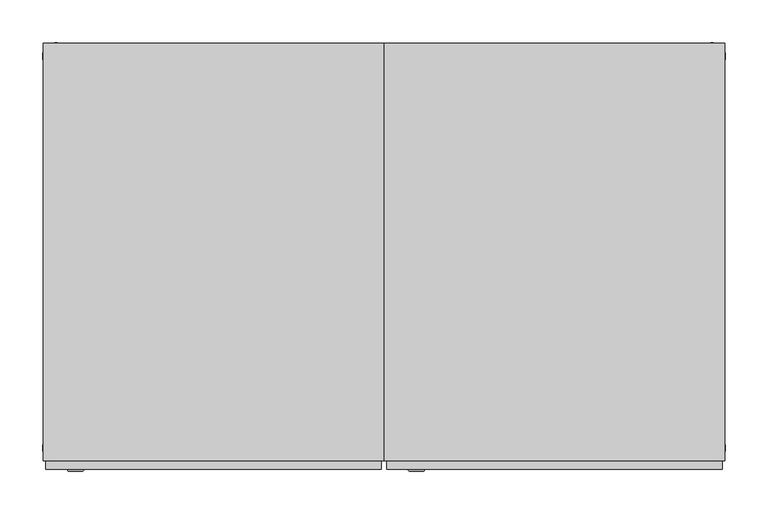
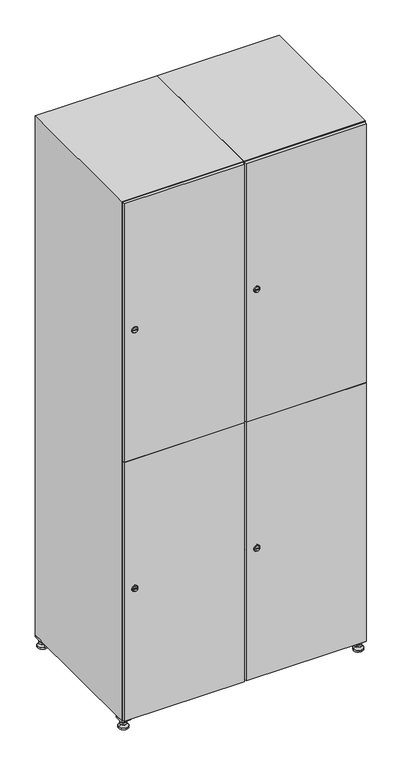
"""IFC4 building model written with IfcOpenShell, lengths in millimetres: furniture geometry."""

from ifc_helpers import new_model, si_unit, point, frame, frame_2d, origin, origin_with_axes, place, context, project, spatial, polyline, circle_curve, trimmed, segment, composite_curve, outline, extrude, faceted_brep, source, transform, mapped, element, save
from ifc_brep_helpers import plane_surface, revolved_surface, advanced_brep


def furniture_eebddeb1(model_context):
    return source(origin(), model_context, "Body", "SolidModel", [
        extrude(outline(polyline([(600.0, 245.0), (600.0, 215.0), (570.0, 215.0), (570.0, 245.0), (600.0, 245.0)]), holes=[polyline([(598.0, 243.0), (572.0, 243.0), (572.0, 217.0), (598.0, 217.0), (598.0, 243.0)])]), frame((0.0, 0.0, 28.5), z_axis=(0.0, 0.0, 1.0), x_axis=(1.0, 0.0, 0.0)), (0.0, 0.0, 1.0), 6.5),
        extrude(outline(polyline([(570.0, -245.0), (570.0, -215.0), (600.0, -215.0), (600.0, -245.0), (570.0, -245.0)]), holes=[polyline([(572.0, -243.0), (598.0, -243.0), (598.0, -217.0), (572.0, -217.0), (572.0, -243.0)])]), frame((0.0, 0.0, 28.5), z_axis=(0.0, 0.0, 1.0), x_axis=(1.0, 0.0, 0.0)), (0.0, 0.0, 1.0), 6.5),
        extrude(outline(polyline([(-170.0, 245.0), (-170.0, 215.0), (-200.0, 215.0), (-200.0, 245.0), (-170.0, 245.0)]), holes=[polyline([(-172.0, 243.0), (-198.0, 243.0), (-198.0, 217.0), (-172.0, 217.0), (-172.0, 243.0)])]), frame((0.0, 0.0, 28.5), z_axis=(0.0, 0.0, 1.0), x_axis=(1.0, 0.0, 0.0)), (0.0, 0.0, 1.0), 6.5),
        extrude(outline(polyline([(-170.0, -215.0), (-170.0, -245.0), (-200.0, -245.0), (-200.0, -215.0), (-170.0, -215.0)]), holes=[polyline([(-198.0, -243.0), (-172.0, -243.0), (-172.0, -217.0), (-198.0, -217.0), (-198.0, -243.0)])]), frame((0.0, 0.0, 28.5), z_axis=(0.0, 0.0, 1.0), x_axis=(1.0, 0.0, 0.0)), (0.0, 0.0, 1.0), 6.5),
        extrude(outline(composite_curve([segment(trimmed(circle_curve(frame_2d((-185.0, 230.0)), 5.0), [point((-180.0, 230.0))], [point((-190.0, 230.0))], False, "CARTESIAN"), True, "CONTINUOUS"), segment(trimmed(circle_curve(frame_2d((-185.0, 230.0)), 5.0), [point((-190.0, 230.0))], [point((-180.0, 230.0))], False, "CARTESIAN"), True, "CONTINUOUS")], self_intersect=False)), frame((0.0, 0.0, 19.6), z_axis=(0.0, 0.0, 1.0), x_axis=(1.0, 0.0, 0.0)), (0.0, 0.0, 1.0), 15.4),
        extrude(outline(composite_curve([segment(trimmed(circle_curve(frame_2d((-185.0, -230.0)), 5.0), [point((-180.0, -230.0))], [point((-190.0, -230.0))], False, "CARTESIAN"), True, "CONTINUOUS"), segment(trimmed(circle_curve(frame_2d((-185.0, -230.0)), 5.0), [point((-190.0, -230.0))], [point((-180.0, -230.0))], False, "CARTESIAN"), True, "CONTINUOUS")], self_intersect=False)), frame((0.0, 0.0, 19.6), z_axis=(0.0, 0.0, 1.0), x_axis=(1.0, 0.0, 0.0)), (0.0, 0.0, 1.0), 15.4),
        extrude(outline(composite_curve([segment(trimmed(circle_curve(frame_2d((585.0, 230.0)), 5.0), [point((590.0, 230.0))], [point((580.0, 230.0))], False, "CARTESIAN"), True, "CONTINUOUS"), segment(trimmed(circle_curve(frame_2d((585.0, 230.0)), 5.0), [point((580.0, 230.0))], [point((590.0, 230.0))], False, "CARTESIAN"), True, "CONTINUOUS")], self_intersect=False)), frame((0.0, 0.0, 19.6), z_axis=(0.0, 0.0, 1.0), x_axis=(1.0, 0.0, 0.0)), (0.0, 0.0, 1.0), 15.4),
        extrude(outline(polyline([(573.4529946, 230.0), (579.2264973, 240.0), (590.7735027, 240.0), (596.5470054, 230.0), (590.7735027, 220.0), (579.2264973, 220.0), (573.4529946, 230.0)])), frame((0.0, 0.0, 13.6), z_axis=(0.0, 0.0, 1.0), x_axis=(1.0, 0.0, 0.0)), (0.0, 0.0, 1.0), 6.0),
        extrude(outline(composite_curve([segment(trimmed(circle_curve(frame_2d((585.0, -230.0)), 5.0), [point((590.0, -230.0))], [point((580.0, -230.0))], False, "CARTESIAN"), True, "CONTINUOUS"), segment(trimmed(circle_curve(frame_2d((585.0, -230.0)), 5.0), [point((580.0, -230.0))], [point((590.0, -230.0))], False, "CARTESIAN"), True, "CONTINUOUS")], self_intersect=False)), frame((0.0, 0.0, 19.6), z_axis=(0.0, 0.0, 1.0), x_axis=(1.0, 0.0, 0.0)), (0.0, 0.0, 1.0), 15.4),
        extrude(outline(polyline([(573.4529946, -230.0), (579.2264973, -220.0), (590.7735027, -220.0), (596.5470054, -230.0), (590.7735027, -240.0), (579.2264973, -240.0), (573.4529946, -230.0)])), frame((0.0, 0.0, 13.6), z_axis=(0.0, 0.0, 1.0), x_axis=(1.0, 0.0, 0.0)), (0.0, 0.0, 1.0), 6.0),
        extrude(outline(composite_curve([segment(trimmed(circle_curve(frame_2d((585.0, 230.0)), 5.0), [point((590.0, 230.0))], [point((580.0, 230.0))], False, "CARTESIAN"), True, "CONTINUOUS"), segment(trimmed(circle_curve(frame_2d((585.0, 230.0)), 5.0), [point((580.0, 230.0))], [point((590.0, 230.0))], False, "CARTESIAN"), True, "CONTINUOUS")], self_intersect=False)), frame((0.0, 0.0, 12.1), z_axis=(0.0, 0.0, 1.0), x_axis=(1.0, 0.0, 0.0)), (0.0, 0.0, 1.0), 1.5),
        extrude(outline(composite_curve([segment(trimmed(circle_curve(frame_2d((585.0, -230.0)), 5.0), [point((590.0, -230.0))], [point((580.0, -230.0))], False, "CARTESIAN"), True, "CONTINUOUS"), segment(trimmed(circle_curve(frame_2d((585.0, -230.0)), 5.0), [point((580.0, -230.0))], [point((590.0, -230.0))], False, "CARTESIAN"), True, "CONTINUOUS")], self_intersect=False)), frame((0.0, 0.0, 12.1), z_axis=(0.0, 0.0, 1.0), x_axis=(1.0, 0.0, 0.0)), (0.0, 0.0, 1.0), 1.5),
        extrude(outline(polyline([(-196.5470054, 230.0), (-190.7735027, 240.0), (-179.2264973, 240.0), (-173.4529946, 230.0), (-179.2264973, 220.0), (-190.7735027, 220.0), (-196.5470054, 230.0)])), frame((0.0, 0.0, 13.6), z_axis=(0.0, 0.0, 1.0), x_axis=(1.0, 0.0, 0.0)), (0.0, 0.0, 1.0), 6.0),
        extrude(outline(polyline([(-196.5470054, -230.0), (-190.7735027, -220.0), (-179.2264973, -220.0), (-173.4529946, -230.0), (-179.2264973, -240.0), (-190.7735027, -240.0), (-196.5470054, -230.0)])), frame((0.0, 0.0, 13.6), z_axis=(0.0, 0.0, 1.0), x_axis=(1.0, 0.0, 0.0)), (0.0, 0.0, 1.0), 6.0),
        extrude(outline(composite_curve([segment(trimmed(circle_curve(frame_2d((-185.0, 230.0)), 5.0), [point((-185.0, 235.0))], [point((-185.0, 225.0))], False, "CARTESIAN"), True, "CONTINUOUS"), segment(trimmed(circle_curve(frame_2d((-185.0, 230.0)), 5.0), [point((-185.0, 225.0))], [point((-185.0, 235.0))], False, "CARTESIAN"), True, "CONTINUOUS")], self_intersect=False)), frame((0.0, 0.0, 12.1), z_axis=(0.0, 0.0, 1.0), x_axis=(1.0, 0.0, 0.0)), (0.0, 0.0, 1.0), 1.5),
        extrude(outline(composite_curve([segment(trimmed(circle_curve(frame_2d((-185.0, -230.0)), 5.0), [point((-180.0, -230.0))], [point((-190.0, -230.0))], False, "CARTESIAN"), True, "CONTINUOUS"), segment(trimmed(circle_curve(frame_2d((-185.0, -230.0)), 5.0), [point((-190.0, -230.0))], [point((-180.0, -230.0))], False, "CARTESIAN"), True, "CONTINUOUS")], self_intersect=False)), frame((0.0, 0.0, 12.1), z_axis=(0.0, 0.0, 1.0), x_axis=(1.0, 0.0, 0.0)), (0.0, 0.0, 1.0), 1.5),
        extrude(outline(composite_curve([segment(trimmed(circle_curve(frame_2d((585.0, 230.0)), 15.75), [point((600.75, 230.0))], [point((569.25, 230.0))], False, "CARTESIAN"), True, "CONTINUOUS"), segment(trimmed(circle_curve(frame_2d((585.0, 230.0)), 15.75), [point((569.25, 230.0))], [point((600.75, 230.0))], False, "CARTESIAN"), True, "CONTINUOUS")], self_intersect=False)), origin_with_axes(), (0.0, 0.0, 1.0), 5.1),
        extrude(outline(composite_curve([segment(trimmed(circle_curve(frame_2d((585.0, -230.0)), 15.75), [point((585.0, -214.25))], [point((585.0, -245.75))], False, "CARTESIAN"), True, "CONTINUOUS"), segment(trimmed(circle_curve(frame_2d((585.0, -230.0)), 15.75), [point((585.0, -245.75))], [point((585.0, -214.25))], False, "CARTESIAN"), True, "CONTINUOUS")], self_intersect=False)), origin_with_axes(), (0.0, 0.0, 1.0), 5.1),
        extrude(outline(composite_curve([segment(trimmed(circle_curve(frame_2d((-185.0, -230.0)), 15.75), [point((-169.25, -230.0))], [point((-200.75, -230.0))], False, "CARTESIAN"), True, "CONTINUOUS"), segment(trimmed(circle_curve(frame_2d((-185.0, -230.0)), 15.75), [point((-200.75, -230.0))], [point((-169.25, -230.0))], False, "CARTESIAN"), True, "CONTINUOUS")], self_intersect=False)), origin_with_axes(), (0.0, 0.0, 1.0), 5.1),
        extrude(outline(composite_curve([segment(trimmed(circle_curve(frame_2d((-185.0, 230.0)), 15.75), [point((-169.25, 230.0))], [point((-200.75, 230.0))], False, "CARTESIAN"), True, "CONTINUOUS"), segment(trimmed(circle_curve(frame_2d((-185.0, 230.0)), 15.75), [point((-200.75, 230.0))], [point((-169.25, 230.0))], False, "CARTESIAN"), True, "CONTINUOUS")], self_intersect=False)), origin_with_axes(), (0.0, 0.0, 1.0), 5.1),
        advanced_brep(
        [(-185.0, 239.5, 12.1), (-185.0, 220.5, 12.1), (-185.0, 214.25, 5.1), (-185.0, 245.75, 5.1)],
        [
            (0, 1, circle_curve(frame((-185.0, 230.0, 12.1), z_axis=(0.0, 0.0, -1.0), x_axis=(0.0, 1.0, 0.0)), 9.5)),
            (1, 2),
            (2, 3, circle_curve(frame((-185.0, 230.0, 5.1), z_axis=(0.0, 0.0, 1.0), x_axis=(0.0, 1.0, 0.0)), 15.75)),
            (3, 0),
            (1, 0, circle_curve(frame((-185.0, 230.0, 12.1), z_axis=(0.0, 0.0, -1.0), x_axis=(0.0, -1.0, 0.0)), 9.5)),
            (3, 2, circle_curve(frame((-185.0, 230.0, 5.1), z_axis=(0.0, 0.0, 1.0), x_axis=(0.0, -1.0, 0.0)), 15.75)),
        ],
        [
            revolved_surface(polyline([(-185.0, 220.5, 12.099999999999998), (-185.0, 214.25, 5.099999999999998)]), (-185.0, 230.0, 22.74), (0.0, 0.0, -1.0)),
            revolved_surface(polyline([(-185.0, 239.5, 12.099999999999998), (-185.0, 245.75, 5.099999999999998)]), (-185.0, 230.0, 22.74), (0.0, 0.0, -1.0)),
            plane_surface(frame((-185.0, 230.0, 5.1), z_axis=(0.0, 0.0, -1.0), x_axis=(1.0, 0.0, 0.0))),
            plane_surface(frame((-185.0, 230.0, 12.1), z_axis=(0.0, 0.0, 1.0), x_axis=(1.0, 0.0, 0.0))),
        ],
        [
            (0, [[1, 2, 3, 4]]),
            (1, [[5, -4, 6, -2]]),
            (2, [[-3, -6]]),
            (3, [[-5, -1]]),
        ],
    ),
        advanced_brep(
        [(585.0, 239.5, 12.1), (585.0, 220.5, 12.1), (585.0, 214.25, 5.1), (585.0, 245.75, 5.1)],
        [
            (0, 1, circle_curve(frame((585.0, 230.0, 12.1), z_axis=(0.0, 0.0, -1.0), x_axis=(0.0, 1.0, 0.0)), 9.5)),
            (1, 2),
            (2, 3, circle_curve(frame((585.0, 230.0, 5.1), z_axis=(0.0, 0.0, 1.0), x_axis=(0.0, 1.0, 0.0)), 15.75)),
            (3, 0),
            (1, 0, circle_curve(frame((585.0, 230.0, 12.1), z_axis=(0.0, 0.0, -1.0), x_axis=(0.0, -1.0, 0.0)), 9.5)),
            (3, 2, circle_curve(frame((585.0, 230.0, 5.1), z_axis=(0.0, 0.0, 1.0), x_axis=(0.0, -1.0, 0.0)), 15.75)),
        ],
        [
            revolved_surface(polyline([(585.0, 220.5, 12.099999999999998), (585.0, 214.25, 5.099999999999998)]), (585.0, 230.0, 22.74), (0.0, 0.0, -1.0)),
            revolved_surface(polyline([(585.0, 239.5, 12.099999999999998), (585.0, 245.75, 5.099999999999998)]), (585.0, 230.0, 22.74), (0.0, 0.0, -1.0)),
            plane_surface(frame((585.0, 230.0, 5.1), z_axis=(0.0, 0.0, -1.0), x_axis=(1.0, 0.0, 0.0))),
            plane_surface(frame((585.0, 230.0, 12.1), z_axis=(0.0, 0.0, 1.0), x_axis=(1.0, 0.0, 0.0))),
        ],
        [
            (0, [[1, 2, 3, 4]]),
            (1, [[5, -4, 6, -2]]),
            (2, [[-3, -6]]),
            (3, [[-5, -1]]),
        ],
    ),
        advanced_brep(
        [(600.75, -230.0, 5.1), (569.25, -230.0, 5.1), (575.5, -230.0, 12.1), (594.5, -230.0, 12.1)],
        [
            (0, 1, circle_curve(frame((585.0, -230.0, 5.1), z_axis=(0.0, 0.0, 1.0), x_axis=(1.0, 0.0, 0.0)), 15.75)),
            (1, 2),
            (2, 3, circle_curve(frame((585.0, -230.0, 12.1), z_axis=(0.0, 0.0, -1.0), x_axis=(1.0, 0.0, 0.0)), 9.5)),
            (3, 0),
            (1, 0, circle_curve(frame((585.0, -230.0, 5.1), z_axis=(0.0, 0.0, 1.0), x_axis=(-1.0, 0.0, 0.0)), 15.75)),
            (3, 2, circle_curve(frame((585.0, -230.0, 12.1), z_axis=(0.0, 0.0, -1.0), x_axis=(-1.0, 0.0, 0.0)), 9.5)),
        ],
        [
            revolved_surface(polyline([(594.5, -230.0, 12.099999999999998), (600.75, -230.0, 5.099999999999998)]), (585.0, -230.0, 22.74), (0.0, 0.0, -1.0)),
            revolved_surface(polyline([(575.5, -230.0, 12.099999999999998), (569.25, -230.0, 5.099999999999998)]), (585.0, -230.0, 22.74), (0.0, 0.0, -1.0)),
            plane_surface(frame((585.0, -230.0, 12.1), z_axis=(0.0, 0.0, 1.0), x_axis=(0.0, 1.0, 0.0))),
            plane_surface(frame((585.0, -230.0, 5.1), z_axis=(0.0, 0.0, -1.0), x_axis=(0.0, 1.0, 0.0))),
        ],
        [
            (0, [[1, 2, 3, 4]]),
            (1, [[5, -4, 6, -2]]),
            (2, [[-3, -6]]),
            (3, [[-5, -1]]),
        ],
    ),
        advanced_brep(
        [(-169.25, -230.0, 5.1), (-200.75, -230.0, 5.1), (-194.5, -230.0, 12.1), (-175.5, -230.0, 12.1)],
        [
            (0, 1, circle_curve(frame((-185.0, -230.0, 5.1), z_axis=(0.0, 0.0, 1.0), x_axis=(1.0, 0.0, 0.0)), 15.75)),
            (1, 2),
            (2, 3, circle_curve(frame((-185.0, -230.0, 12.1), z_axis=(0.0, 0.0, -1.0), x_axis=(1.0, 0.0, 0.0)), 9.5)),
            (3, 0),
            (1, 0, circle_curve(frame((-185.0, -230.0, 5.1), z_axis=(0.0, 0.0, 1.0), x_axis=(-1.0, 0.0, 0.0)), 15.75)),
            (3, 2, circle_curve(frame((-185.0, -230.0, 12.1), z_axis=(0.0, 0.0, -1.0), x_axis=(-1.0, 0.0, 0.0)), 9.5)),
        ],
        [
            revolved_surface(polyline([(-175.5, -230.0, 12.099999999999998), (-169.25, -230.0, 5.099999999999998)]), (-185.0, -230.0, 22.74), (0.0, 0.0, -1.0)),
            revolved_surface(polyline([(-194.5, -230.0, 12.099999999999998), (-200.75, -230.0, 5.099999999999998)]), (-185.0, -230.0, 22.74), (0.0, 0.0, -1.0)),
            plane_surface(frame((-185.0, -230.0, 12.1), z_axis=(0.0, 0.0, 1.0), x_axis=(0.0, 1.0, 0.0))),
            plane_surface(frame((-185.0, -230.0, 5.1), z_axis=(0.0, 0.0, -1.0), x_axis=(0.0, 1.0, 0.0))),
        ],
        [
            (0, [[1, 2, 3, 4]]),
            (1, [[5, -4, 6, -2]]),
            (2, [[-3, -6]]),
            (3, [[-5, -1]]),
        ],
    ),
        extrude(outline(composite_curve([segment(trimmed(circle_curve(frame_2d((486.5, 211.2010534)), 7.0), [point((493.5, 211.2010534))], [point((479.5, 211.2010534))], False, "CARTESIAN"), True, "CONTINUOUS"), segment(polyline([(479.5, 211.2010534), (479.5, 239.2010534)]), True, "CONTINUOUS"), segment(trimmed(circle_curve(frame_2d((486.5, 239.2010534)), 7.0), [point((479.5, 239.2010534))], [point((493.5, 239.2010534))], False, "CARTESIAN"), True, "CONTINUOUS"), segment(polyline([(493.5, 239.2010534), (493.5, 211.2010534)]), True, "CONTINUOUS")], self_intersect=False)), frame((0.0, -245.0, 0.0), z_axis=(0.0, 1.0, 0.0), x_axis=(0.0, 0.0, 1.0)), (0.0, 0.0, 1.0), 2.0),
        advanced_brep(
        [(246.5, -257.2, 486.5), (229.5, -257.2, 486.5), (233.0, -257.2, 485.25), (233.0, -257.2, 487.75), (243.0, -257.2, 487.75), (243.0, -257.2, 485.25), (248.5, -255.0, 486.5), (227.5, -255.0, 486.5), (233.0, -255.0, 487.75), (233.0, -255.0, 485.25), (243.0, -255.0, 485.25), (243.0, -255.0, 487.75)],
        [
            (0, 1, circle_curve(frame((238.0, -257.2, 486.5), z_axis=(0.0, -1.0, 0.0), x_axis=(1.0, 0.0, 0.0)), 8.5)),
            (1, 0, circle_curve(frame((238.0, -257.2, 486.5), z_axis=(0.0, -1.0, 0.0), x_axis=(-1.0, 0.0, 0.0)), 8.5)),
            (2, 3),
            (3, 4),
            (4, 5),
            (5, 2),
            (6, 7, circle_curve(frame((238.0, -255.0, 486.5), z_axis=(0.0, 1.0, 0.0), x_axis=(-1.0, 0.0, 0.0)), 10.5)),
            (7, 6, circle_curve(frame((238.0, -255.0, 486.5), z_axis=(0.0, 1.0, 0.0), x_axis=(1.0, 0.0, 0.0)), 10.5)),
            (8, 9),
            (9, 10),
            (10, 11),
            (11, 8),
            (0, 6),
            (7, 1),
            (8, 3),
            (2, 9),
            (11, 4),
            (10, 5),
        ],
        [
            plane_surface(frame((238.0, -257.2, 486.5), z_axis=(0.0, -1.0, 0.0), x_axis=(0.0, 0.0, 1.0))),
            plane_surface(frame((238.0, -255.0, 486.5), z_axis=(0.0, 1.0, 0.0), x_axis=(0.0, 0.0, 1.0))),
            revolved_surface(polyline([(246.5, -257.2, 486.5), (248.5, -255.0, 486.5)]), (238.0, -266.55, 486.5), (0.0, 1.0, 0.0)),
            revolved_surface(polyline([(229.5, -257.2, 486.5), (227.5, -255.0, 486.5)]), (238.0, -266.55, 486.5), (0.0, 1.0, 0.0)),
            plane_surface(frame((233.0, -255.0, 485.25), z_axis=(1.0, 0.0, 0.0), x_axis=(0.0, -1.0, 0.0))),
            plane_surface(frame((233.0, -255.0, 487.75), z_axis=(0.0, 0.0, -1.0), x_axis=(0.0, -1.0, 0.0))),
            plane_surface(frame((243.0, -255.0, 487.75), z_axis=(-1.0, 0.0, 0.0), x_axis=(0.0, -1.0, 0.0))),
            plane_surface(frame((243.0, -255.0, 485.25), z_axis=(0.0, 0.0, 1.0), x_axis=(0.0, -1.0, 0.0))),
        ],
        [
            (0, [[1, 2], [3, 4, 5, 6]]),
            (1, [[7, 8], [9, 10, 11, 12]]),
            (2, [[-1, 13, -8, 14]]),
            (3, [[-2, -14, -7, -13]]),
            (4, [[15, -3, 16, -9]]),
            (5, [[-15, -12, 17, -4]]),
            (6, [[-17, -11, 18, -5]]),
            (7, [[-16, -6, -18, -10]]),
        ],
    ),
        extrude(outline(composite_curve([segment(trimmed(circle_curve(frame_2d((1383.5, 211.2010534)), 7.0), [point((1390.5, 211.2010534))], [point((1376.5, 211.2010534))], False, "CARTESIAN"), True, "CONTINUOUS"), segment(polyline([(1376.5, 211.2010534), (1376.5, 239.2010534)]), True, "CONTINUOUS"), segment(trimmed(circle_curve(frame_2d((1383.5, 239.2010534)), 7.0), [point((1376.5, 239.2010534))], [point((1390.5, 239.2010534))], False, "CARTESIAN"), True, "CONTINUOUS"), segment(polyline([(1390.5, 239.2010534), (1390.5, 211.2010534)]), True, "CONTINUOUS")], self_intersect=False)), frame((0.0, -245.0, 0.0), z_axis=(0.0, 1.0, 0.0), x_axis=(0.0, 0.0, 1.0)), (0.0, 0.0, 1.0), 2.0),
        advanced_brep(
        [(246.5, -257.2, 1383.5), (229.5, -257.2, 1383.5), (233.0, -257.2, 1382.25), (233.0, -257.2, 1384.75), (243.0, -257.2, 1384.75), (243.0, -257.2, 1382.25), (248.5, -255.0, 1383.5), (227.5, -255.0, 1383.5), (233.0, -255.0, 1384.75), (233.0, -255.0, 1382.25), (243.0, -255.0, 1382.25), (243.0, -255.0, 1384.75)],
        [
            (0, 1, circle_curve(frame((238.0, -257.2, 1383.5), z_axis=(0.0, -1.0, 0.0), x_axis=(1.0, 0.0, 0.0)), 8.5)),
            (1, 0, circle_curve(frame((238.0, -257.2, 1383.5), z_axis=(0.0, -1.0, 0.0), x_axis=(-1.0, 0.0, 0.0)), 8.5)),
            (2, 3),
            (3, 4),
            (4, 5),
            (5, 2),
            (6, 7, circle_curve(frame((238.0, -255.0, 1383.5), z_axis=(0.0, 1.0, 0.0), x_axis=(-1.0, 0.0, 0.0)), 10.5)),
            (7, 6, circle_curve(frame((238.0, -255.0, 1383.5), z_axis=(0.0, 1.0, 0.0), x_axis=(1.0, 0.0, 0.0)), 10.5)),
            (8, 9),
            (9, 10),
            (10, 11),
            (11, 8),
            (0, 6),
            (7, 1),
            (8, 3),
            (2, 9),
            (11, 4),
            (10, 5),
        ],
        [
            plane_surface(frame((238.0, -257.2, 1383.5), z_axis=(0.0, -1.0, 0.0), x_axis=(0.0, 0.0, 1.0))),
            plane_surface(frame((238.0, -255.0, 1383.5), z_axis=(0.0, 1.0, 0.0), x_axis=(0.0, 0.0, 1.0))),
            revolved_surface(polyline([(246.5, -257.2, 1383.5), (248.5, -255.0, 1383.5)]), (238.0, -266.55, 1383.5), (0.0, 1.0, 0.0)),
            revolved_surface(polyline([(229.5, -257.2, 1383.5), (227.5, -255.0, 1383.5)]), (238.0, -266.55, 1383.5), (0.0, 1.0, 0.0)),
            plane_surface(frame((233.0, -255.0, 1382.25), z_axis=(1.0, 0.0, 0.0), x_axis=(0.0, -1.0, 0.0))),
            plane_surface(frame((233.0, -255.0, 1384.75), z_axis=(0.0, 0.0, -1.0), x_axis=(0.0, -1.0, 0.0))),
            plane_surface(frame((243.0, -255.0, 1384.75), z_axis=(-1.0, 0.0, 0.0), x_axis=(0.0, -1.0, 0.0))),
            plane_surface(frame((243.0, -255.0, 1382.25), z_axis=(0.0, 0.0, 1.0), x_axis=(0.0, -1.0, 0.0))),
        ],
        [
            (0, [[1, 2], [3, 4, 5, 6]]),
            (1, [[7, 8], [9, 10, 11, 12]]),
            (2, [[-1, 13, -8, 14]]),
            (3, [[-2, -14, -7, -13]]),
            (4, [[15, -3, 16, -9]]),
            (5, [[-15, -12, 17, -4]]),
            (6, [[-17, -11, 18, -5]]),
            (7, [[-16, -6, -18, -10]]),
        ],
    ),
        extrude(outline(polyline([(203.0, -255.0), (203.0, -245.0), (597.0, -245.0), (597.0, -255.0), (203.0, -255.0)])), frame((0.0, 0.0, 38.0), z_axis=(0.0, 0.0, 1.0), x_axis=(1.0, 0.0, 0.0)), (0.0, 0.0, 1.0), 896.5),
        extrude(outline(polyline([(597.0, -245.0), (597.0, -255.0), (203.0, -255.0), (203.0, -245.0), (597.0, -245.0)])), frame((0.0, 0.0, 935.5), z_axis=(0.0, 0.0, 1.0), x_axis=(1.0, 0.0, 0.0)), (0.0, 0.0, 1.0), 896.5),
        extrude(outline(polyline([(579.6, 242.0), (579.6, -235.0), (220.4, -235.0), (220.4, 242.0), (579.6, 242.0)])), frame((0.0, 0.0, 924.8), z_axis=(0.0, 0.0, 1.0), x_axis=(1.0, 0.0, 0.0)), (0.0, 0.0, 1.0), 20.4),
        faceted_brep([(600.0, -245.0, 35.0), (600.0, -245.0, 1835.0), (200.0, -245.0, 1835.0), (200.0, -245.0, 35.0), (579.6, -245.0, 1804.8), (579.6, -245.0, 65.2), (220.4, -245.0, 65.2), (220.4, -245.0, 1804.8), (600.0, 245.0, 35.0), (200.0, 245.0, 35.0), (600.0, 245.0, 1835.0), (200.0, 245.0, 1835.0), (579.6, 242.0, 1804.8), (579.6, 242.0, 65.2), (200.0, 245.0, 1804.8), (220.4, 242.0, 1804.8), (220.4, 242.0, 65.2)], [[[0, 1, 2, 3], [4, 5, 6, 7]], [[8, 0, 3, 9]], [[1, 0, 8, 10]], [[1, 10, 11, 2]], [[4, 12, 13, 5]], [[9, 3, 2, 11, 14]], [[10, 8, 9, 14, 11]], [[12, 15, 16, 13]], [[15, 7, 6, 16]], [[4, 7, 15, 12]], [[6, 5, 13, 16]]]),
        extrude(outline(composite_curve([segment(trimmed(circle_curve(frame_2d((486.5, -188.7989466)), 7.0), [point((493.5, -188.7989466))], [point((479.5, -188.7989466))], False, "CARTESIAN"), True, "CONTINUOUS"), segment(polyline([(479.5, -188.7989466), (479.5, -160.7989466)]), True, "CONTINUOUS"), segment(trimmed(circle_curve(frame_2d((486.5, -160.7989466)), 7.0), [point((479.5, -160.7989466))], [point((493.5, -160.7989466))], False, "CARTESIAN"), True, "CONTINUOUS"), segment(polyline([(493.5, -160.7989466), (493.5, -188.7989466)]), True, "CONTINUOUS")], self_intersect=False)), frame((0.0, -245.0, 0.0), z_axis=(0.0, 1.0, 0.0), x_axis=(0.0, 0.0, 1.0)), (0.0, 0.0, 1.0), 2.0),
        advanced_brep(
        [(-153.5, -257.2, 486.5), (-170.5, -257.2, 486.5), (-167.0, -257.2, 485.25), (-167.0, -257.2, 487.75), (-157.0, -257.2, 487.75), (-157.0, -257.2, 485.25), (-151.5, -255.0, 486.5), (-172.5, -255.0, 486.5), (-167.0, -255.0, 487.75), (-167.0, -255.0, 485.25), (-157.0, -255.0, 485.25), (-157.0, -255.0, 487.75)],
        [
            (0, 1, circle_curve(frame((-162.0, -257.2, 486.5), z_axis=(0.0, -1.0, 0.0), x_axis=(1.0, 0.0, 0.0)), 8.5)),
            (1, 0, circle_curve(frame((-162.0, -257.2, 486.5), z_axis=(0.0, -1.0, 0.0), x_axis=(-1.0, 0.0, 0.0)), 8.5)),
            (2, 3),
            (3, 4),
            (4, 5),
            (5, 2),
            (6, 7, circle_curve(frame((-162.0, -255.0, 486.5), z_axis=(0.0, 1.0, 0.0), x_axis=(-1.0, 0.0, 0.0)), 10.5)),
            (7, 6, circle_curve(frame((-162.0, -255.0, 486.5), z_axis=(0.0, 1.0, 0.0), x_axis=(1.0, 0.0, 0.0)), 10.5)),
            (8, 9),
            (9, 10),
            (10, 11),
            (11, 8),
            (0, 6),
            (7, 1),
            (8, 3),
            (2, 9),
            (11, 4),
            (10, 5),
        ],
        [
            plane_surface(frame((-162.0, -257.2, 486.5), z_axis=(0.0, -1.0, 0.0), x_axis=(0.0, 0.0, 1.0))),
            plane_surface(frame((-162.0, -255.0, 486.5), z_axis=(0.0, 1.0, 0.0), x_axis=(0.0, 0.0, 1.0))),
            revolved_surface(polyline([(-153.5, -257.2, 486.5), (-151.5, -255.0, 486.5)]), (-162.0, -266.55, 486.5), (0.0, 1.0, 0.0)),
            revolved_surface(polyline([(-170.5, -257.2, 486.5), (-172.5, -255.0, 486.5)]), (-162.0, -266.55, 486.5), (0.0, 1.0, 0.0)),
            plane_surface(frame((-167.0, -255.0, 485.25), z_axis=(1.0, 0.0, 0.0), x_axis=(0.0, -1.0, 0.0))),
            plane_surface(frame((-167.0, -255.0, 487.75), z_axis=(0.0, 0.0, -1.0), x_axis=(0.0, -1.0, 0.0))),
            plane_surface(frame((-157.0, -255.0, 487.75), z_axis=(-1.0, 0.0, 0.0), x_axis=(0.0, -1.0, 0.0))),
            plane_surface(frame((-157.0, -255.0, 485.25), z_axis=(0.0, 0.0, 1.0), x_axis=(0.0, -1.0, 0.0))),
        ],
        [
            (0, [[1, 2], [3, 4, 5, 6]]),
            (1, [[7, 8], [9, 10, 11, 12]]),
            (2, [[-1, 13, -8, 14]]),
            (3, [[-2, -14, -7, -13]]),
            (4, [[15, -3, 16, -9]]),
            (5, [[-15, -12, 17, -4]]),
            (6, [[-17, -11, 18, -5]]),
            (7, [[-16, -6, -18, -10]]),
        ],
    ),
        extrude(outline(composite_curve([segment(trimmed(circle_curve(frame_2d((1383.5, -188.7989466)), 7.0), [point((1390.5, -188.7989466))], [point((1376.5, -188.7989466))], False, "CARTESIAN"), True, "CONTINUOUS"), segment(polyline([(1376.5, -188.7989466), (1376.5, -160.7989466)]), True, "CONTINUOUS"), segment(trimmed(circle_curve(frame_2d((1383.5, -160.7989466)), 7.0), [point((1376.5, -160.7989466))], [point((1390.5, -160.7989466))], False, "CARTESIAN"), True, "CONTINUOUS"), segment(polyline([(1390.5, -160.7989466), (1390.5, -188.7989466)]), True, "CONTINUOUS")], self_intersect=False)), frame((0.0, -245.0, 0.0), z_axis=(0.0, 1.0, 0.0), x_axis=(0.0, 0.0, 1.0)), (0.0, 0.0, 1.0), 2.0),
        advanced_brep(
        [(-153.5, -257.2, 1383.5), (-170.5, -257.2, 1383.5), (-167.0, -257.2, 1382.25), (-167.0, -257.2, 1384.75), (-157.0, -257.2, 1384.75), (-157.0, -257.2, 1382.25), (-151.5, -255.0, 1383.5), (-172.5, -255.0, 1383.5), (-167.0, -255.0, 1384.75), (-167.0, -255.0, 1382.25), (-157.0, -255.0, 1382.25), (-157.0, -255.0, 1384.75)],
        [
            (0, 1, circle_curve(frame((-162.0, -257.2, 1383.5), z_axis=(0.0, -1.0, 0.0), x_axis=(1.0, 0.0, 0.0)), 8.5)),
            (1, 0, circle_curve(frame((-162.0, -257.2, 1383.5), z_axis=(0.0, -1.0, 0.0), x_axis=(-1.0, 0.0, 0.0)), 8.5)),
            (2, 3),
            (3, 4),
            (4, 5),
            (5, 2),
            (6, 7, circle_curve(frame((-162.0, -255.0, 1383.5), z_axis=(0.0, 1.0, 0.0), x_axis=(-1.0, 0.0, 0.0)), 10.5)),
            (7, 6, circle_curve(frame((-162.0, -255.0, 1383.5), z_axis=(0.0, 1.0, 0.0), x_axis=(1.0, 0.0, 0.0)), 10.5)),
            (8, 9),
            (9, 10),
            (10, 11),
            (11, 8),
            (0, 6),
            (7, 1),
            (8, 3),
            (2, 9),
            (11, 4),
            (10, 5),
        ],
        [
            plane_surface(frame((-162.0, -257.2, 1383.5), z_axis=(0.0, -1.0, 0.0), x_axis=(0.0, 0.0, 1.0))),
            plane_surface(frame((-162.0, -255.0, 1383.5), z_axis=(0.0, 1.0, 0.0), x_axis=(0.0, 0.0, 1.0))),
            revolved_surface(polyline([(-153.5, -257.2, 1383.5), (-151.5, -255.0, 1383.5)]), (-162.0, -266.55, 1383.5), (0.0, 1.0, 0.0)),
            revolved_surface(polyline([(-170.5, -257.2, 1383.5), (-172.5, -255.0, 1383.5)]), (-162.0, -266.55, 1383.5), (0.0, 1.0, 0.0)),
            plane_surface(frame((-167.0, -255.0, 1382.25), z_axis=(1.0, 0.0, 0.0), x_axis=(0.0, -1.0, 0.0))),
            plane_surface(frame((-167.0, -255.0, 1384.75), z_axis=(0.0, 0.0, -1.0), x_axis=(0.0, -1.0, 0.0))),
            plane_surface(frame((-157.0, -255.0, 1384.75), z_axis=(-1.0, 0.0, 0.0), x_axis=(0.0, -1.0, 0.0))),
            plane_surface(frame((-157.0, -255.0, 1382.25), z_axis=(0.0, 0.0, 1.0), x_axis=(0.0, -1.0, 0.0))),
        ],
        [
            (0, [[1, 2], [3, 4, 5, 6]]),
            (1, [[7, 8], [9, 10, 11, 12]]),
            (2, [[-1, 13, -8, 14]]),
            (3, [[-2, -14, -7, -13]]),
            (4, [[15, -3, 16, -9]]),
            (5, [[-15, -12, 17, -4]]),
            (6, [[-17, -11, 18, -5]]),
            (7, [[-16, -6, -18, -10]]),
        ],
    ),
        extrude(outline(polyline([(-197.0, -255.0), (-197.0, -245.0), (197.0, -245.0), (197.0, -255.0), (-197.0, -255.0)])), frame((0.0, 0.0, 38.0), z_axis=(0.0, 0.0, 1.0), x_axis=(1.0, 0.0, 0.0)), (0.0, 0.0, 1.0), 896.5),
        extrude(outline(polyline([(197.0, -245.0), (197.0, -255.0), (-197.0, -255.0), (-197.0, -245.0), (197.0, -245.0)])), frame((0.0, 0.0, 935.5), z_axis=(0.0, 0.0, 1.0), x_axis=(1.0, 0.0, 0.0)), (0.0, 0.0, 1.0), 896.5),
        extrude(outline(polyline([(179.6, 242.0), (179.6, -235.0), (-179.6, -235.0), (-179.6, 242.0), (179.6, 242.0)])), frame((0.0, 0.0, 924.8), z_axis=(0.0, 0.0, 1.0), x_axis=(1.0, 0.0, 0.0)), (0.0, 0.0, 1.0), 20.4),
        faceted_brep([(200.0, -245.0, 35.0), (200.0, -245.0, 1835.0), (-200.0, -245.0, 1835.0), (-200.0, -245.0, 35.0), (179.6, -245.0, 1804.8), (179.6, -245.0, 65.2), (-179.6, -245.0, 65.2), (-179.6, -245.0, 1804.8), (200.0, 245.0, 35.0), (-200.0, 245.0, 35.0), (200.0, 245.0, 1835.0), (-200.0, 245.0, 1835.0), (179.6, 242.0, 1804.8), (179.6, 242.0, 65.2), (-200.0, 245.0, 1804.8), (-179.6, 242.0, 1804.8), (-179.6, 242.0, 65.2)], [[[0, 1, 2, 3], [4, 5, 6, 7]], [[8, 0, 3, 9]], [[1, 0, 8, 10]], [[1, 10, 11, 2]], [[4, 12, 13, 5]], [[9, 3, 2, 11, 14]], [[10, 8, 9, 14, 11]], [[12, 15, 16, 13]], [[15, 7, 6, 16]], [[4, 7, 15, 12]], [[6, 5, 13, 16]]]),
    ])


if __name__ == "__main__":
    model = new_model("IFC4")
    model_context = context("Model", 3, world=origin())
    ifc_project = project(units=[si_unit("LENGTHUNIT", "METRE", prefix="MILLI")], contexts=[model_context])
    site = spatial("IfcSite", under=ifc_project)
    building = spatial("IfcBuilding", under=site)
    placement = place(None, origin())
    furniture_shape = furniture_eebddeb1(model_context)
    element("IfcFurniture", 1, at=placement, inside=building, context=model_context, shape_type="MappedRepresentation", body=[
        mapped(furniture_shape, transform((0.0, 0.0, 0.0), x_axis=(1.0, 0.0, 0.0), y_axis=(0.0, 1.0, 0.0), z_axis=(0.0, 0.0, 1.0))),
    ])
    save(model, "model.ifc")
